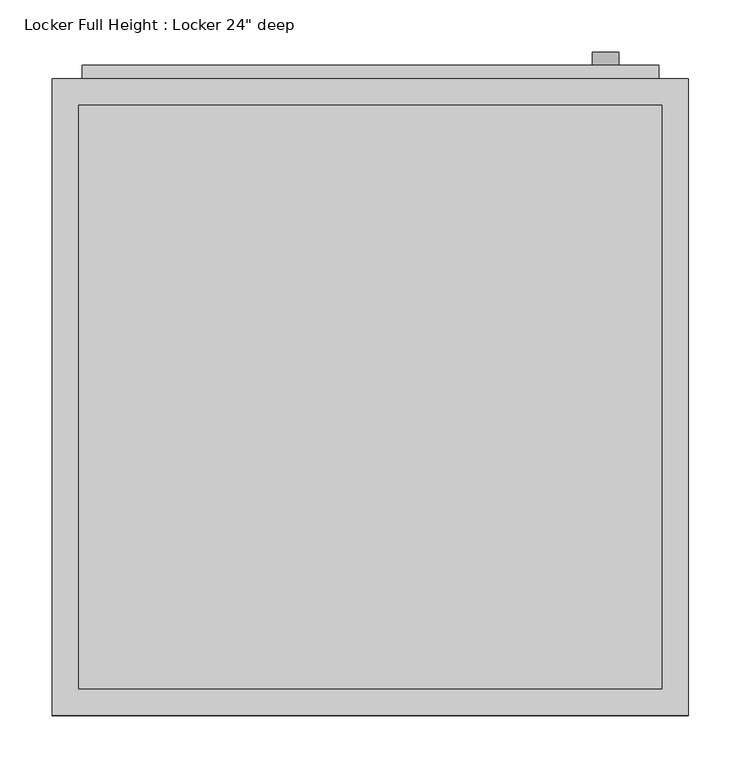
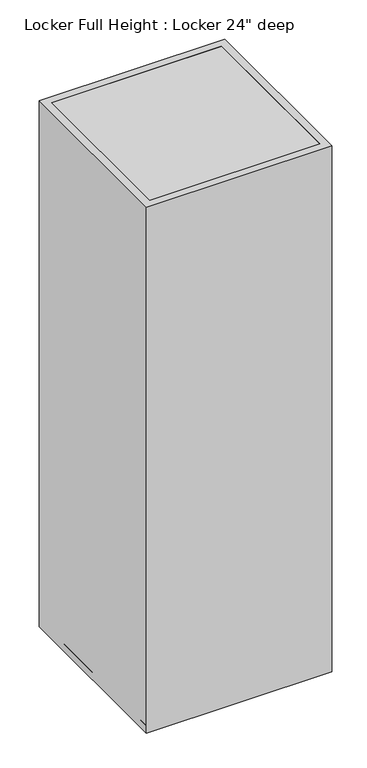
"""IFC4 building model written with IfcOpenShell, lengths in millimetres: proxy geometry."""

from ifc_helpers import new_model, si_unit, point, frame, frame_2d, origin, origin_with_axes, place, context, project, spatial, polyline, circle_curve, trimmed, segment, composite_curve, outline, extrude, faceted_brep, source, transform, mapped, element, save


def proxy_56fd9955(model_context):
    return source(origin(), model_context, "Body", "SolidModel", [
        extrude(outline(polyline([(1802.3478186, 581.025), (1802.3478186, 28.575), (28.575, 28.575), (28.575, 581.025), (1802.3478186, 581.025)]), holes=[polyline([(1641.475, 381.0), (1641.475, 228.6), (1647.825, 228.6), (1647.825, 381.0), (1641.475, 381.0)]), polyline([(1616.075, 381.0), (1616.075, 228.6), (1622.425, 228.6), (1622.425, 381.0), (1616.075, 381.0)]), polyline([(1590.675, 381.0), (1590.675, 228.6), (1597.025, 228.6), (1597.025, 381.0), (1590.675, 381.0)]), polyline([(1254.125, 381.0), (1247.775, 381.0), (1247.775, 228.6), (1254.125, 228.6), (1254.125, 381.0)]), polyline([(1279.525, 381.0), (1273.175, 381.0), (1273.175, 228.6), (1279.525, 228.6), (1279.525, 381.0)]), polyline([(1304.925, 381.0), (1298.575, 381.0), (1298.575, 228.6), (1304.925, 228.6), (1304.925, 381.0)])]), frame((0.0, 0.0, 0.0), z_axis=(0.0, 1.0, 0.0), x_axis=(0.0, 0.0, 1.0)), (0.0, 0.0, 1.0), 12.7),
        faceted_brep([(609.6, 0.0, 1828.6017036), (0.0, 0.0, 1828.6017036), (0.0, -609.6, 1828.6017036), (609.6, -609.6, 1828.6017036), (25.4, -25.4, 1828.6017036), (584.2, -25.4, 1828.6017036), (584.2, -584.2, 1828.6017036), (25.4, -584.2, 1828.6017036), (609.6, 0.0, 0.0), (609.6, -609.6, 0.0), (0.0, -609.6, 0.0), (0.0, 0.0, 0.0), (25.4, -25.4, 0.0), (25.4, -584.2, 0.0), (584.2, -584.2, 0.0), (584.2, -25.4, 0.0), (381.0, 0.0, 1647.825), (228.6, 0.0, 1647.825), (228.6, 0.0, 1641.475), (381.0, 0.0, 1641.475), (381.0, 0.0, 1622.425), (228.6, 0.0, 1622.425), (228.6, 0.0, 1616.075), (381.0, 0.0, 1616.075), (381.0, 0.0, 1597.025), (228.6, 0.0, 1597.025), (228.6, 0.0, 1590.675), (381.0, 0.0, 1590.675), (228.6, 0.0, 1254.125), (228.6, 0.0, 1247.775), (381.0, 0.0, 1247.775), (381.0, 0.0, 1254.125), (228.6, 0.0, 1279.525), (228.6, 0.0, 1273.175), (381.0, 0.0, 1273.175), (381.0, 0.0, 1279.525), (228.6, 0.0, 1304.925), (228.6, 0.0, 1298.575), (381.0, 0.0, 1298.575), (381.0, 0.0, 1304.925), (381.0, -25.4, 1641.475), (228.6, -25.4, 1641.475), (228.6, -25.4, 1647.825), (381.0, -25.4, 1647.825), (381.0, -25.4, 1616.075), (228.6, -25.4, 1616.075), (228.6, -25.4, 1622.425), (381.0, -25.4, 1622.425), (381.0, -25.4, 1590.675), (228.6, -25.4, 1590.675), (228.6, -25.4, 1597.025), (381.0, -25.4, 1597.025), (381.0, -25.4, 1254.125), (381.0, -25.4, 1247.775), (228.6, -25.4, 1247.775), (228.6, -25.4, 1254.125), (381.0, -25.4, 1279.525), (381.0, -25.4, 1273.175), (228.6, -25.4, 1273.175), (228.6, -25.4, 1279.525), (381.0, -25.4, 1304.925), (381.0, -25.4, 1298.575), (228.6, -25.4, 1298.575), (228.6, -25.4, 1304.925)], [[[0, 1, 2, 3], [4, 5, 6, 7]], [[8, 9, 10, 11], [12, 13, 14, 15]], [[3, 9, 8, 0]], [[2, 10, 9, 3]], [[1, 11, 10, 2]], [[0, 8, 11, 1], [16, 17, 18, 19], [20, 21, 22, 23], [24, 25, 26, 27], [28, 29, 30, 31], [32, 33, 34, 35], [36, 37, 38, 39]], [[7, 13, 12, 4]], [[6, 14, 13, 7]], [[5, 15, 14, 6]], [[4, 12, 15, 5], [40, 41, 42, 43], [44, 45, 46, 47], [48, 49, 50, 51], [52, 53, 54, 55], [56, 57, 58, 59], [60, 61, 62, 63]], [[40, 43, 16, 19]], [[43, 42, 17, 16]], [[42, 41, 18, 17]], [[19, 18, 41, 40]], [[44, 47, 20, 23]], [[47, 46, 21, 20]], [[46, 45, 22, 21]], [[23, 22, 45, 44]], [[48, 51, 24, 27]], [[51, 50, 25, 24]], [[50, 49, 26, 25]], [[27, 26, 49, 48]], [[52, 55, 28, 31]], [[55, 54, 29, 28]], [[54, 53, 30, 29]], [[31, 30, 53, 52]], [[56, 59, 32, 35]], [[59, 58, 33, 32]], [[58, 57, 34, 33]], [[35, 34, 57, 56]], [[60, 63, 36, 39]], [[63, 62, 37, 36]], [[62, 61, 38, 37]], [[39, 38, 61, 60]]]),
        extrude(outline(composite_curve([segment(trimmed(circle_curve(frame_2d((1041.4, 530.225)), 12.7), [point((1041.4, 517.525))], [point((1041.4, 542.925))], False, "CARTESIAN"), True, "CONTINUOUS"), segment(trimmed(circle_curve(frame_2d((1041.4, 530.225)), 12.7), [point((1041.4, 542.925))], [point((1041.4, 517.525))], False, "CARTESIAN"), True, "CONTINUOUS")], self_intersect=False)), frame((0.0, 0.0, 0.0), z_axis=(0.0, 1.0, 0.0), x_axis=(0.0, 0.0, 1.0)), (0.0, 0.0, 1.0), 25.4),
        extrude(outline(polyline([(532.5246157, 25.4), (532.5246157, 0.0), (526.1746157, 0.0), (526.1746157, 25.4), (532.5246157, 25.4)])), frame((0.0, 0.0, 945.7880316), z_axis=(0.0, 0.0, 1.0), x_axis=(1.0, 0.0, 0.0)), (0.0, 0.0, 1.0), 76.2),
        extrude(outline(polyline([(609.6, -609.6), (0.0, -609.6), (0.0, 0.0), (609.6, 0.0), (609.6, -609.6)])), frame((0.0, 0.0, 1802.3478186), z_axis=(0.0, 0.0, 1.0), x_axis=(1.0, 0.0, 0.0)), (0.0, 0.0, 1.0), 26.2538849),
        extrude(outline(polyline([(609.6, 0.0), (609.6, -609.6), (0.0, -609.6), (0.0, 0.0), (609.6, 0.0)])), origin_with_axes(), (0.0, 0.0, 1.0), 25.4),
    ])


if __name__ == "__main__":
    model = new_model("IFC4")
    model_context = context("Model", 3, world=origin())
    ifc_project = project(units=[si_unit("LENGTHUNIT", "METRE", prefix="MILLI")], contexts=[model_context])
    site = spatial("IfcSite", under=ifc_project)
    building = spatial("IfcBuilding", under=site)
    placement = place(None, origin())
    proxy_shape = proxy_56fd9955(model_context)
    element("IfcBuildingElementProxy", 1, Name="Locker Full Height : Locker 24\" deep", ObjectType="Locker Full Height : Locker 24\" deep", at=placement, inside=building, context=model_context, shape_type="MappedRepresentation", body=[
        mapped(proxy_shape, transform((0.0, 0.0, 0.0), x_axis=(1.0, 0.0, 0.0), y_axis=(0.0, 1.0, 0.0), z_axis=(0.0, 0.0, 1.0))),
    ])
    save(model, "model.ifc")
